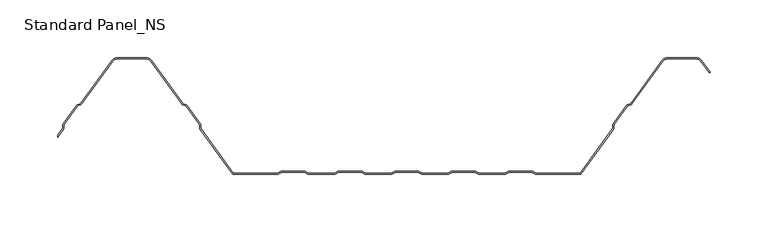
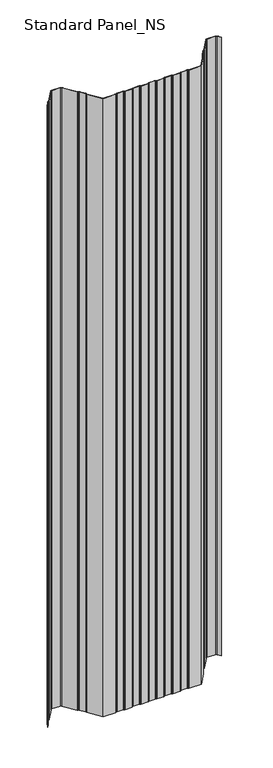
"""IFC4 building model written with IfcOpenShell, lengths in millimetres: proxy geometry, Standard Panel_NS."""

import ifcopenshell
import ifcopenshell.guid

model = None  # the IFC model being written
_history = None  # IfcOwnerHistory: only IFC2X3 demands one
_inside = {}  # id of a spatial element -> (the spatial element, [elements in it])
_under = {}  # id of a project, library or spatial element -> (it, [spatial elements below it])
_declared = {}  # id of a project -> (the project, [libraries it declares])
_typed = {}  # id of a type object -> (the type object, [elements of that type])
_made_of = {}  # id of a material, layer set ... -> (it, [elements and type objects made of it])


def new_model(schema):
    """Start an empty IFC model of exactly this schema.

    Asked for "IFC4X3", IfcOpenShell would pick the latest addendum, in which some entities
    have other attributes; the version numbers below select the first issue.
    IFC2X3 requires an IfcOwnerHistory on every rooted entity: one is made here for all.
    """
    global model, _history
    if schema == "IFC4X3":
        model = ifcopenshell.file(schema_version=(4, 3, 0, 0))
    else:
        model = ifcopenshell.file(schema=schema)
    _inside.clear()
    _under.clear()
    _declared.clear()
    _typed.clear()
    _made_of.clear()
    _history = None
    if model.schema == "IFC2X3":
        org = make("IfcOrganization", Name="unknown")
        user = make(
            "IfcPersonAndOrganization",
            ThePerson=make("IfcPerson", FamilyName="unknown"),
            TheOrganization=org,
        )
        app = make(
            "IfcApplication",
            ApplicationDeveloper=org,
            Version="unknown",
            ApplicationFullName="unknown",
            ApplicationIdentifier="unknown",
        )
        _history = make(
            "IfcOwnerHistory",
            OwningUser=user,
            OwningApplication=app,
            ChangeAction="ADDED",
            CreationDate=0,
        )
    return model


def make(cls, **values):
    """One entity of the class cls with the attributes given. An attribute that is None is left unset."""
    return model.create_entity(
        cls, **{name: value for name, value in values.items() if value is not None}
    )


def rooted(cls, **values):
    """An entity with a GlobalId (a new one), such as an element, a storey or a relation."""
    return make(cls, GlobalId=ifcopenshell.guid.new(), OwnerHistory=_history, **values)


def si_unit(unit_type, name, prefix=None):
    """IfcSIUnit, for example si_unit("LENGTHUNIT", "METRE", prefix="MILLI")."""
    return make("IfcSIUnit", UnitType=unit_type, Prefix=prefix, Name=name)


def assignment(units):
    """IfcUnitAssignment: the units of a project."""
    return None if units is None else make("IfcUnitAssignment", Units=units)


def point(xyz):
    """IfcCartesianPoint."""
    return None if xyz is None else make("IfcCartesianPoint", Coordinates=xyz)


def direction(xyz):
    """IfcDirection."""
    return None if xyz is None else make("IfcDirection", DirectionRatios=xyz)


def frame(location, z_axis=None, x_axis=None):
    """IfcAxis2Placement3D, a coordinate frame: its origin and axes. An axis left out is left unset."""
    return make(
        "IfcAxis2Placement3D",
        Location=point(location),
        Axis=direction(z_axis),
        RefDirection=direction(x_axis),
    )


def frame_2d(location, x_axis=None):
    """IfcAxis2Placement2D, a coordinate frame in the plane: its origin and x axis."""
    return make(
        "IfcAxis2Placement2D", Location=point(location), RefDirection=direction(x_axis)
    )


def origin():
    """The frame at (0, 0, 0) with its axes left unset."""
    return frame((0.0, 0.0, 0.0))


def origin_with_axes():
    """The frame at (0, 0, 0) with the z axis (0, 0, 1) and the x axis (1, 0, 0) written out."""
    return frame((0.0, 0.0, 0.0), z_axis=(0.0, 0.0, 1.0), x_axis=(1.0, 0.0, 0.0))


def place(relative_to, where):
    """IfcLocalPlacement: puts the frame where relative to a parent placement (None: the world)."""
    return make(
        "IfcLocalPlacement", PlacementRelTo=relative_to, RelativePlacement=where
    )


def context(
    kind, dimensions, precision=None, world=None, true_north=None, identifier=None
):
    """IfcGeometricRepresentationContext, for example the 3D "Model" context."""
    return make(
        "IfcGeometricRepresentationContext",
        ContextIdentifier=identifier,
        ContextType=kind,
        CoordinateSpaceDimension=dimensions,
        Precision=precision,
        WorldCoordinateSystem=world,
        TrueNorth=true_north,
    )


def project(units=None, contexts=None):
    """IfcProject with its units and contexts."""
    return rooted(
        "IfcProject",
        Name="project",
        RepresentationContexts=contexts,
        UnitsInContext=assignment(units),
    )


def spatial(cls, under=None, at=None, **own):
    """A site, building, storey or space (cls), placed at a placement, below another one or the project."""
    s = rooted(cls, ObjectPlacement=at, **own)
    if under is not None:
        _under.setdefault(under.id(), (under, []))[1].append(s)
    return s


def polyline(points):
    """IfcPolyline through the points."""
    return make("IfcPolyline", Points=[point(p) for p in points])


def circle_curve(where, radius):
    """IfcCircle in the frame where."""
    return make("IfcCircle", Position=where, Radius=radius)


def trimmed(basis, trim1, trim2, sense, master):
    """IfcTrimmedCurve: the piece of a basis curve between two trims."""
    return make(
        "IfcTrimmedCurve",
        BasisCurve=basis,
        Trim1=trim1,
        Trim2=trim2,
        SenseAgreement=sense,
        MasterRepresentation=master,
    )


def segment(curve, same_sense, transition):
    """IfcCompositeCurveSegment."""
    return make(
        "IfcCompositeCurveSegment",
        Transition=transition,
        SameSense=same_sense,
        ParentCurve=curve,
    )


def composite_curve(segments, self_intersect=None):
    """IfcCompositeCurve: segments joined end to end."""
    return make("IfcCompositeCurve", Segments=segments, SelfIntersect=self_intersect)


def outline(outer, holes=None, kind="AREA"):
    """IfcArbitraryClosedProfileDef: a profile drawn as a closed curve; with holes, ...WithVoids."""
    if holes is None:
        return make("IfcArbitraryClosedProfileDef", ProfileType=kind, OuterCurve=outer)
    return make(
        "IfcArbitraryProfileDefWithVoids",
        ProfileType=kind,
        OuterCurve=outer,
        InnerCurves=holes,
    )


def extrude(swept, where, along, depth):
    """IfcExtrudedAreaSolid: the profile swept, set in the frame where, extruded along a direction by depth."""
    return make(
        "IfcExtrudedAreaSolid",
        SweptArea=swept,
        Position=where,
        ExtrudedDirection=direction(along),
        Depth=depth,
    )


def shape(context_of_items, identifier, shape_type, items):
    """IfcShapeRepresentation: the items that make up one representation, for example the "Body"."""
    return make(
        "IfcShapeRepresentation",
        ContextOfItems=context_of_items,
        RepresentationIdentifier=identifier,
        RepresentationType=shape_type,
        Items=items,
    )


def source(mapping_origin, context_of_items, identifier, shape_type, items):
    """IfcRepresentationMap: a shape defined once, which mapped items show again and again."""
    return make(
        "IfcRepresentationMap",
        MappingOrigin=mapping_origin,
        MappedRepresentation=shape(context_of_items, identifier, shape_type, items),
    )


def transform(
    local_origin,
    x_axis=None,
    y_axis=None,
    z_axis=None,
    scale=None,
    scale2=None,
    scale3=None,
    uniform=True,
):
    """IfcCartesianTransformationOperator3D, or its non-uniform kind. x_axis, y_axis, z_axis: its Axis1, 2, 3."""
    if uniform:
        return make(
            "IfcCartesianTransformationOperator3D",
            Axis1=direction(x_axis),
            Axis2=direction(y_axis),
            LocalOrigin=point(local_origin),
            Scale=scale,
            Axis3=direction(z_axis),
        )
    return make(
        "IfcCartesianTransformationOperator3DnonUniform",
        Axis1=direction(x_axis),
        Axis2=direction(y_axis),
        LocalOrigin=point(local_origin),
        Scale=scale,
        Axis3=direction(z_axis),
        Scale2=scale2,
        Scale3=scale3,
    )


def mapped(mapping_source, mapping_target):
    """IfcMappedItem: shows the shape of a source again, moved by a transform."""
    return make(
        "IfcMappedItem", MappingSource=mapping_source, MappingTarget=mapping_target
    )


def made_of(thing, what):
    """Note that an element or type object is made of a material, layer set ...; save() writes the relation."""
    if what is not None:
        _made_of.setdefault(what.id(), (what, []))[1].append(thing)
    return thing


def element(
    cls,
    number,
    at=None,
    inside=None,
    cuts=None,
    type_object=None,
    material=None,
    context=None,
    identifier="Body",
    shape_type=None,
    held_by="IfcProductDefinitionShape",
    body=None,
    shapes=None,
    **own,
):
    """One element of the class cls, such as IfcWall. Its Tag is "e" and its number.

    at: its placement. inside: the storey or other place that contains it. cuts: it is an
    opening in that element (IfcRelVoidsElement). A single representation is given by context,
    identifier, shape_type and body (its items); several are given by shapes. held_by: the class
    of the entity that holds the representations. save() writes the other relations.
    """
    e = rooted(cls, Tag="e%d" % number, ObjectPlacement=at, **own)
    if body is not None:
        shapes = [shape(context, identifier, shape_type, body)]
    if shapes is not None:
        e.Representation = make(held_by, Representations=shapes)
    if inside is not None:
        _inside.setdefault(inside.id(), (inside, []))[1].append(e)
    if cuts is not None:
        rooted(
            "IfcRelVoidsElement", RelatingBuildingElement=cuts, RelatedOpeningElement=e
        )
    if type_object is not None:
        _typed.setdefault(type_object.id(), (type_object, []))[1].append(e)
    return made_of(e, material)


def aggregate(whole, parts):
    """IfcRelAggregates: a whole, such as a stair, and the parts it consists of."""
    return rooted("IfcRelAggregates", RelatingObject=whole, RelatedObjects=parts)


def save(model, path):
    """Write the relations noted so far, then the file.

    IfcRelAggregates (storeys below a building ...), IfcRelContainedInSpatialStructure (elements
    in a storey), IfcRelDefinesByType, IfcRelAssociatesMaterial and IfcRelDeclares: one each for
    every whole, place, type object, material and project.
    """
    for whole, parts in _under.values():
        aggregate(whole, parts)
    for where, things in _inside.values():
        rooted(
            "IfcRelContainedInSpatialStructure",
            RelatedElements=things,
            RelatingStructure=where,
        )
    for kind, things in _typed.values():
        rooted("IfcRelDefinesByType", RelatedObjects=things, RelatingType=kind)
    for what, things in _made_of.values():
        rooted("IfcRelAssociatesMaterial", RelatedObjects=things, RelatingMaterial=what)
    for by, libraries in _declared.values():
        rooted("IfcRelDeclares", RelatingContext=by, RelatedDefinitions=libraries)
    model.write(path)


def standard_panel_ns_0e72eaee(model_context):
    return source(origin(), model_context, "Body", "SweptSolid", [
        extrude(outline(composite_curve([segment(polyline([(-265.3690592, 38.8012978), (-269.9999998, 32.4137935), (-269.9999998, 34.1174652), (-266.1786697, 39.3882654)]), True, "CONTINUOUS"), segment(trimmed(circle_curve(frame_2d((-267.5943584, 40.4146398)), 1.7486049), [point((-266.1786697, 39.3882654))], [point((-265.8471041, 40.3459275))], True, "CARTESIAN"), True, "CONTINUOUS"), segment(polyline([(-265.8471041, 40.3459275), (-265.7589288, 42.5881001)]), True, "CONTINUOUS"), segment(trimmed(circle_curve(frame_2d((-263.0124468, 42.4800924)), 2.7486049), [point((-265.7589288, 42.5881001))], [point((-265.237746, 44.0934344))], False, "CARTESIAN"), True, "CONTINUOUS"), segment(polyline([(-265.237746, 44.0934344), (-254.1199169, 59.4283711)]), True, "CONTINUOUS"), segment(trimmed(circle_curve(frame_2d((-251.8946177, 57.8150291)), 2.7486049), [point((-254.1199169, 59.4283711))], [point((-252.8512575, 60.3917847))], False, "CARTESIAN"), True, "CONTINUOUS"), segment(polyline([(-252.8512575, 60.3917847), (-250.7476461, 61.1727662)]), True, "CONTINUOUS"), segment(trimmed(circle_curve(frame_2d((-251.3562403, 62.8120441)), 1.7486049), [point((-250.7476461, 61.1727662))], [point((-249.9405515, 61.7856697))], True, "CARTESIAN"), True, "CONTINUOUS"), segment(polyline([(-249.9405515, 61.7856697), (-223.3068531, 98.5218054)]), True, "CONTINUOUS"), segment(trimmed(circle_curve(frame_2d((-218.4491905, 95.0)), 6.0), [point((-223.3068531, 98.5218054))], [point((-218.4491905, 101.0))], False, "CARTESIAN"), True, "CONTINUOUS"), segment(polyline([(-218.4491905, 101.0), (-193.5508098, 101.0)]), True, "CONTINUOUS"), segment(trimmed(circle_curve(frame_2d((-193.5508098, 95.0)), 6.0), [point((-193.5508098, 101.0))], [point((-188.6931472, 98.5218054))], False, "CARTESIAN"), True, "CONTINUOUS"), segment(polyline([(-188.6931472, 98.5218054), (-162.0594488, 61.7856697)]), True, "CONTINUOUS"), segment(trimmed(circle_curve(frame_2d((-160.64376, 62.8120441)), 1.7486049), [point((-162.0594488, 61.7856697))], [point((-161.2523542, 61.1727662))], True, "CARTESIAN"), True, "CONTINUOUS"), segment(polyline([(-161.2523542, 61.1727662), (-159.1487428, 60.3917847)]), True, "CONTINUOUS"), segment(trimmed(circle_curve(frame_2d((-160.1053826, 57.8150291)), 2.7486049), [point((-159.1487428, 60.3917847))], [point((-157.8800834, 59.4283711))], False, "CARTESIAN"), True, "CONTINUOUS"), segment(polyline([(-157.8800834, 59.4283711), (-146.7622543, 44.0934344)]), True, "CONTINUOUS"), segment(trimmed(circle_curve(frame_2d((-148.9875535, 42.4800924)), 2.7486049), [point((-146.7622543, 44.0934344))], [point((-146.2410715, 42.5881001))], False, "CARTESIAN"), True, "CONTINUOUS"), segment(polyline([(-146.2410715, 42.5881001), (-146.1528962, 40.3459275)]), True, "CONTINUOUS"), segment(trimmed(circle_curve(frame_2d((-144.4056419, 40.4146398)), 1.7486049), [point((-146.1528962, 40.3459275))], [point((-145.8213306, 39.3882654))], True, "CARTESIAN"), True, "CONTINUOUS"), segment(polyline([(-145.8213306, 39.3882654), (-117.9898382, 1.0), (-80.1655441, 1.0)]), True, "CONTINUOUS"), segment(trimmed(circle_curve(frame_2d((-80.1655441, 2.7486049)), 1.7486049), [point((-80.1655441, 1.0))], [point((-79.1955926, 1.2936777))], True, "CARTESIAN"), True, "CONTINUOUS"), segment(polyline([(-79.1955926, 1.2936777), (-77.3285502, 2.5383726)]), True, "CONTINUOUS"), segment(trimmed(circle_curve(frame_2d((-75.8038985, 0.2513951)), 2.7486049), [point((-77.3285502, 2.5383726))], [point((-75.8038985, 3.0))], False, "CARTESIAN"), True, "CONTINUOUS"), segment(polyline([(-75.8038985, 3.0), (-56.8627684, 3.0)]), True, "CONTINUOUS"), segment(trimmed(circle_curve(frame_2d((-56.8627684, 0.2513951)), 2.7486049), [point((-56.8627684, 3.0))], [point((-55.3381168, 2.5383726))], False, "CARTESIAN"), True, "CONTINUOUS"), segment(polyline([(-55.3381168, 2.5383726), (-53.4710744, 1.2936777)]), True, "CONTINUOUS"), segment(trimmed(circle_curve(frame_2d((-52.5011229, 2.7486049)), 1.7486049), [point((-53.4710744, 1.2936777))], [point((-52.5011229, 1.0))], True, "CARTESIAN"), True, "CONTINUOUS"), segment(polyline([(-52.5011229, 1.0), (-30.9988774, 1.0)]), True, "CONTINUOUS"), segment(trimmed(circle_curve(frame_2d((-30.9988774, 2.7486049)), 1.7486049), [point((-30.9988774, 1.0))], [point((-30.0289259, 1.2936777))], True, "CARTESIAN"), True, "CONTINUOUS"), segment(polyline([(-30.0289259, 1.2936777), (-28.1618835, 2.5383726)]), True, "CONTINUOUS"), segment(trimmed(circle_curve(frame_2d((-26.6372319, 0.2513951)), 2.7486049), [point((-28.1618835, 2.5383726))], [point((-26.6372319, 3.0))], False, "CARTESIAN"), True, "CONTINUOUS"), segment(polyline([(-26.6372319, 3.0), (-7.6961018, 3.0)]), True, "CONTINUOUS"), segment(trimmed(circle_curve(frame_2d((-7.6961018, 0.2513951)), 2.7486049), [point((-7.6961018, 3.0))], [point((-6.1714501, 2.5383726))], False, "CARTESIAN"), True, "CONTINUOUS"), segment(polyline([(-6.1714501, 2.5383726), (-4.3044077, 1.2936777)]), True, "CONTINUOUS"), segment(trimmed(circle_curve(frame_2d((-3.3344562, 2.7486049)), 1.7486049), [point((-4.3044077, 1.2936777))], [point((-3.3344562, 1.0))], True, "CARTESIAN"), True, "CONTINUOUS"), segment(polyline([(-3.3344562, 1.0), (18.1677892, 1.0)]), True, "CONTINUOUS"), segment(trimmed(circle_curve(frame_2d((18.1677892, 2.7486049)), 1.7486049), [point((18.1677892, 1.0))], [point((19.1377407, 1.2936777))], True, "CARTESIAN"), True, "CONTINUOUS"), segment(polyline([(19.1377407, 1.2936777), (21.0047831, 2.5383726)]), True, "CONTINUOUS"), segment(trimmed(circle_curve(frame_2d((22.5294348, 0.2513951)), 2.7486049), [point((21.0047831, 2.5383726))], [point((22.5294348, 3.0))], False, "CARTESIAN"), True, "CONTINUOUS"), segment(polyline([(22.5294348, 3.0), (41.4705649, 3.0)]), True, "CONTINUOUS"), segment(trimmed(circle_curve(frame_2d((41.4705649, 0.2513951)), 2.7486049), [point((41.4705649, 3.0))], [point((42.9952166, 2.5383726))], False, "CARTESIAN"), True, "CONTINUOUS"), segment(polyline([(42.9952166, 2.5383726), (44.862259, 1.2936777)]), True, "CONTINUOUS"), segment(trimmed(circle_curve(frame_2d((45.8322104, 2.7486049)), 1.7486049), [point((44.862259, 1.2936777))], [point((45.8322104, 1.0))], True, "CARTESIAN"), True, "CONTINUOUS"), segment(polyline([(45.8322104, 1.0), (67.3344559, 1.0)]), True, "CONTINUOUS"), segment(trimmed(circle_curve(frame_2d((67.3344559, 2.7486049)), 1.7486049), [point((67.3344559, 1.0))], [point((68.3044074, 1.2936777))], True, "CARTESIAN"), True, "CONTINUOUS"), segment(polyline([(68.3044074, 1.2936777), (70.1714498, 2.5383726)]), True, "CONTINUOUS"), segment(trimmed(circle_curve(frame_2d((71.6961015, 0.2513951)), 2.7486049), [point((70.1714498, 2.5383726))], [point((71.6961015, 3.0))], False, "CARTESIAN"), True, "CONTINUOUS"), segment(polyline([(71.6961015, 3.0), (90.6372316, 3.0)]), True, "CONTINUOUS"), segment(trimmed(circle_curve(frame_2d((90.6372316, 0.2513951)), 2.7486049), [point((90.6372316, 3.0))], [point((92.1618832, 2.5383726))], False, "CARTESIAN"), True, "CONTINUOUS"), segment(polyline([(92.1618832, 2.5383726), (94.0289256, 1.2936777)]), True, "CONTINUOUS"), segment(trimmed(circle_curve(frame_2d((94.9988771, 2.7486049)), 1.7486049), [point((94.0289256, 1.2936777))], [point((94.9988771, 1.0))], True, "CARTESIAN"), True, "CONTINUOUS"), segment(polyline([(94.9988771, 1.0), (116.5011226, 1.0)]), True, "CONTINUOUS"), segment(trimmed(circle_curve(frame_2d((116.5011226, 2.7486049)), 1.7486049), [point((116.5011226, 1.0))], [point((117.4710741, 1.2936777))], True, "CARTESIAN"), True, "CONTINUOUS"), segment(polyline([(117.4710741, 1.2936777), (119.3381165, 2.5383726)]), True, "CONTINUOUS"), segment(trimmed(circle_curve(frame_2d((120.8627681, 0.2513951)), 2.7486049), [point((119.3381165, 2.5383726))], [point((120.8627681, 3.0))], False, "CARTESIAN"), True, "CONTINUOUS"), segment(polyline([(120.8627681, 3.0), (139.8038982, 3.0)]), True, "CONTINUOUS"), segment(trimmed(circle_curve(frame_2d((139.8038982, 0.2513951)), 2.7486049), [point((139.8038982, 3.0))], [point((141.3285499, 2.5383726))], False, "CARTESIAN"), True, "CONTINUOUS"), segment(polyline([(141.3285499, 2.5383726), (143.1955923, 1.2936777)]), True, "CONTINUOUS"), segment(trimmed(circle_curve(frame_2d((144.1655438, 2.7486049)), 1.7486049), [point((143.1955923, 1.2936777))], [point((144.1655438, 1.0))], True, "CARTESIAN"), True, "CONTINUOUS"), segment(polyline([(144.1655438, 1.0), (181.9898379, 1.0), (209.8213303, 39.3882654)]), True, "CONTINUOUS"), segment(trimmed(circle_curve(frame_2d((208.4056416, 40.4146398)), 1.7486049), [point((209.8213303, 39.3882654))], [point((210.1528959, 40.3459275))], True, "CARTESIAN"), True, "CONTINUOUS"), segment(polyline([(210.1528959, 40.3459275), (210.2410712, 42.5881001)]), True, "CONTINUOUS"), segment(trimmed(circle_curve(frame_2d((212.9875532, 42.4800924)), 2.7486049), [point((210.2410712, 42.5881001))], [point((210.762254, 44.0934344))], False, "CARTESIAN"), True, "CONTINUOUS"), segment(polyline([(210.762254, 44.0934344), (221.8800831, 59.4283711)]), True, "CONTINUOUS"), segment(trimmed(circle_curve(frame_2d((224.1053823, 57.8150291)), 2.7486049), [point((221.8800831, 59.4283711))], [point((223.1487425, 60.3917847))], False, "CARTESIAN"), True, "CONTINUOUS"), segment(polyline([(223.1487425, 60.3917847), (225.2523539, 61.1727662)]), True, "CONTINUOUS"), segment(trimmed(circle_curve(frame_2d((224.6437597, 62.8120441)), 1.7486049), [point((225.2523539, 61.1727662))], [point((226.0594485, 61.7856697))], True, "CARTESIAN"), True, "CONTINUOUS"), segment(polyline([(226.0594485, 61.7856697), (252.6931469, 98.5218054)]), True, "CONTINUOUS"), segment(trimmed(circle_curve(frame_2d((257.5508095, 95.0)), 6.0), [point((252.6931469, 98.5218054))], [point((257.5508095, 101.0))], False, "CARTESIAN"), True, "CONTINUOUS"), segment(polyline([(257.5508095, 101.0), (282.4491902, 101.0)]), True, "CONTINUOUS"), segment(trimmed(circle_curve(frame_2d((282.4491902, 95.0)), 6.0), [point((282.4491902, 101.0))], [point((287.3068528, 98.5218054))], False, "CARTESIAN"), True, "CONTINUOUS"), segment(polyline([(287.3068528, 98.5218054), (294.6141239, 88.4428109), (293.8045134, 87.8558433), (286.4972424, 97.9348379)]), True, "CONTINUOUS"), segment(trimmed(circle_curve(frame_2d((282.4491902, 95.0)), 5.0), [point((286.4972424, 97.9348379))], [point((282.4491902, 100.0))], True, "CARTESIAN"), True, "CONTINUOUS"), segment(polyline([(282.4491902, 100.0), (257.5508095, 100.0)]), True, "CONTINUOUS"), segment(trimmed(circle_curve(frame_2d((257.5508095, 95.0)), 5.0), [point((257.5508095, 100.0))], [point((253.5027573, 97.9348379))], True, "CARTESIAN"), True, "CONTINUOUS"), segment(polyline([(253.5027573, 97.9348379), (226.8690589, 61.1987022)]), True, "CONTINUOUS"), segment(trimmed(circle_curve(frame_2d((224.6437597, 62.8120441)), 2.7486049), [point((226.8690589, 61.1987022))], [point((225.6003995, 60.2352885))], False, "CARTESIAN"), True, "CONTINUOUS"), segment(polyline([(225.6003995, 60.2352885), (223.4967881, 59.4543071)]), True, "CONTINUOUS"), segment(trimmed(circle_curve(frame_2d((224.1053823, 57.8150291)), 1.7486049), [point((223.4967881, 59.4543071))], [point((222.6896935, 58.8414035))], True, "CARTESIAN"), True, "CONTINUOUS"), segment(polyline([(222.6896935, 58.8414035), (211.5718644, 43.5064668)]), True, "CONTINUOUS"), segment(trimmed(circle_curve(frame_2d((212.9875532, 42.4800924)), 1.7486049), [point((211.5718644, 43.5064668))], [point((211.2402989, 42.5488047))], True, "CARTESIAN"), True, "CONTINUOUS"), segment(polyline([(211.2402989, 42.5488047), (211.1521235, 40.3066321)]), True, "CONTINUOUS"), segment(trimmed(circle_curve(frame_2d((208.4056416, 40.4146398)), 2.7486049), [point((211.1521235, 40.3066321))], [point((210.6309408, 38.8012978))], False, "CARTESIAN"), True, "CONTINUOUS"), segment(polyline([(210.6309408, 38.8012978), (182.4999998, 0.0), (144.1655438, 0.0)]), True, "CONTINUOUS"), segment(trimmed(circle_curve(frame_2d((144.1655438, 2.7486049)), 2.7486049), [point((144.1655438, 0.0))], [point((142.6408921, 0.4616274))], False, "CARTESIAN"), True, "CONTINUOUS"), segment(polyline([(142.6408921, 0.4616274), (140.7738497, 1.7063223)]), True, "CONTINUOUS"), segment(trimmed(circle_curve(frame_2d((139.8038982, 0.2513951)), 1.7486049), [point((140.7738497, 1.7063223))], [point((139.8038982, 2.0))], True, "CARTESIAN"), True, "CONTINUOUS"), segment(polyline([(139.8038982, 2.0), (120.8627681, 2.0)]), True, "CONTINUOUS"), segment(trimmed(circle_curve(frame_2d((120.8627681, 0.2513951)), 1.7486049), [point((120.8627681, 2.0))], [point((119.8928167, 1.7063223))], True, "CARTESIAN"), True, "CONTINUOUS"), segment(polyline([(119.8928167, 1.7063223), (118.0257743, 0.4616274)]), True, "CONTINUOUS"), segment(trimmed(circle_curve(frame_2d((116.5011226, 2.7486049)), 2.7486049), [point((118.0257743, 0.4616274))], [point((116.5011226, 0.0))], False, "CARTESIAN"), True, "CONTINUOUS"), segment(polyline([(116.5011226, 0.0), (94.9988771, 0.0)]), True, "CONTINUOUS"), segment(trimmed(circle_curve(frame_2d((94.9988771, 2.7486049)), 2.7486049), [point((94.9988771, 0.0))], [point((93.4742254, 0.4616274))], False, "CARTESIAN"), True, "CONTINUOUS"), segment(polyline([(93.4742254, 0.4616274), (91.607183, 1.7063223)]), True, "CONTINUOUS"), segment(trimmed(circle_curve(frame_2d((90.6372316, 0.2513951)), 1.7486049), [point((91.607183, 1.7063223))], [point((90.6372316, 2.0))], True, "CARTESIAN"), True, "CONTINUOUS"), segment(polyline([(90.6372316, 2.0), (71.6961015, 2.0)]), True, "CONTINUOUS"), segment(trimmed(circle_curve(frame_2d((71.6961015, 0.2513951)), 1.7486049), [point((71.6961015, 2.0))], [point((70.72615, 1.7063223))], True, "CARTESIAN"), True, "CONTINUOUS"), segment(polyline([(70.72615, 1.7063223), (68.8591076, 0.4616274)]), True, "CONTINUOUS"), segment(trimmed(circle_curve(frame_2d((67.3344559, 2.7486049)), 2.7486049), [point((68.8591076, 0.4616274))], [point((67.3344559, 0.0))], False, "CARTESIAN"), True, "CONTINUOUS"), segment(polyline([(67.3344559, 0.0), (45.8322104, 0.0)]), True, "CONTINUOUS"), segment(trimmed(circle_curve(frame_2d((45.8322104, 2.7486049)), 2.7486049), [point((45.8322104, 0.0))], [point((44.3075588, 0.4616274))], False, "CARTESIAN"), True, "CONTINUOUS"), segment(polyline([(44.3075588, 0.4616274), (42.4405164, 1.7063223)]), True, "CONTINUOUS"), segment(trimmed(circle_curve(frame_2d((41.4705649, 0.2513951)), 1.7486049), [point((42.4405164, 1.7063223))], [point((41.4705649, 2.0))], True, "CARTESIAN"), True, "CONTINUOUS"), segment(polyline([(41.4705649, 2.0), (22.5294348, 2.0)]), True, "CONTINUOUS"), segment(trimmed(circle_curve(frame_2d((22.5294348, 0.2513951)), 1.7486049), [point((22.5294348, 2.0))], [point((21.5594833, 1.7063223))], True, "CARTESIAN"), True, "CONTINUOUS"), segment(polyline([(21.5594833, 1.7063223), (19.6924409, 0.4616274)]), True, "CONTINUOUS"), segment(trimmed(circle_curve(frame_2d((18.1677892, 2.7486049)), 2.7486049), [point((19.6924409, 0.4616274))], [point((18.1677892, 0.0))], False, "CARTESIAN"), True, "CONTINUOUS"), segment(polyline([(18.1677892, 0.0), (-3.3344562, 0.0)]), True, "CONTINUOUS"), segment(trimmed(circle_curve(frame_2d((-3.3344562, 2.7486049)), 2.7486049), [point((-3.3344562, 0.0))], [point((-4.8591079, 0.4616274))], False, "CARTESIAN"), True, "CONTINUOUS"), segment(polyline([(-4.8591079, 0.4616274), (-6.7261503, 1.7063223)]), True, "CONTINUOUS"), segment(trimmed(circle_curve(frame_2d((-7.6961018, 0.2513951)), 1.7486049), [point((-6.7261503, 1.7063223))], [point((-7.6961018, 2.0))], True, "CARTESIAN"), True, "CONTINUOUS"), segment(polyline([(-7.6961018, 2.0), (-26.6372319, 2.0)]), True, "CONTINUOUS"), segment(trimmed(circle_curve(frame_2d((-26.6372319, 0.2513951)), 1.7486049), [point((-26.6372319, 2.0))], [point((-27.6071833, 1.7063223))], True, "CARTESIAN"), True, "CONTINUOUS"), segment(polyline([(-27.6071833, 1.7063223), (-29.4742257, 0.4616274)]), True, "CONTINUOUS"), segment(trimmed(circle_curve(frame_2d((-30.9988774, 2.7486049)), 2.7486049), [point((-29.4742257, 0.4616274))], [point((-30.9988774, 0.0))], False, "CARTESIAN"), True, "CONTINUOUS"), segment(polyline([(-30.9988774, 0.0), (-52.5011229, 0.0)]), True, "CONTINUOUS"), segment(trimmed(circle_curve(frame_2d((-52.5011229, 2.7486049)), 2.7486049), [point((-52.5011229, 0.0))], [point((-54.0257746, 0.4616274))], False, "CARTESIAN"), True, "CONTINUOUS"), segment(polyline([(-54.0257746, 0.4616274), (-55.892817, 1.7063223)]), True, "CONTINUOUS"), segment(trimmed(circle_curve(frame_2d((-56.8627684, 0.2513951)), 1.7486049), [point((-55.892817, 1.7063223))], [point((-56.8627684, 2.0))], True, "CARTESIAN"), True, "CONTINUOUS"), segment(polyline([(-56.8627684, 2.0), (-75.8038985, 2.0)]), True, "CONTINUOUS"), segment(trimmed(circle_curve(frame_2d((-75.8038985, 0.2513951)), 1.7486049), [point((-75.8038985, 2.0))], [point((-76.77385, 1.7063223))], True, "CARTESIAN"), True, "CONTINUOUS"), segment(polyline([(-76.77385, 1.7063223), (-78.6408924, 0.4616274)]), True, "CONTINUOUS"), segment(trimmed(circle_curve(frame_2d((-80.1655441, 2.7486049)), 2.7486049), [point((-78.6408924, 0.4616274))], [point((-80.1655441, 0.0))], False, "CARTESIAN"), True, "CONTINUOUS"), segment(polyline([(-80.1655441, 0.0), (-118.5000002, 0.0), (-146.6309411, 38.8012978)]), True, "CONTINUOUS"), segment(trimmed(circle_curve(frame_2d((-144.4056419, 40.4146398)), 2.7486049), [point((-146.6309411, 38.8012978))], [point((-147.1521238, 40.3066321))], False, "CARTESIAN"), True, "CONTINUOUS"), segment(polyline([(-147.1521238, 40.3066321), (-147.2402992, 42.5488047)]), True, "CONTINUOUS"), segment(trimmed(circle_curve(frame_2d((-148.9875535, 42.4800924)), 1.7486049), [point((-147.2402992, 42.5488047))], [point((-147.5718647, 43.5064668))], True, "CARTESIAN"), True, "CONTINUOUS"), segment(polyline([(-147.5718647, 43.5064668), (-158.6896938, 58.8414035)]), True, "CONTINUOUS"), segment(trimmed(circle_curve(frame_2d((-160.1053826, 57.8150291)), 1.7486049), [point((-158.6896938, 58.8414035))], [point((-159.4967884, 59.4543071))], True, "CARTESIAN"), True, "CONTINUOUS"), segment(polyline([(-159.4967884, 59.4543071), (-161.6003998, 60.2352885)]), True, "CONTINUOUS"), segment(trimmed(circle_curve(frame_2d((-160.64376, 62.8120441)), 2.7486049), [point((-161.6003998, 60.2352885))], [point((-162.8690592, 61.1987022))], False, "CARTESIAN"), True, "CONTINUOUS"), segment(polyline([(-162.8690592, 61.1987022), (-189.5027576, 97.9348379)]), True, "CONTINUOUS"), segment(trimmed(circle_curve(frame_2d((-193.5508098, 95.0)), 5.0), [point((-189.5027576, 97.9348379))], [point((-193.5508098, 100.0))], True, "CARTESIAN"), True, "CONTINUOUS"), segment(polyline([(-193.5508098, 100.0), (-218.4491905, 100.0)]), True, "CONTINUOUS"), segment(trimmed(circle_curve(frame_2d((-218.4491905, 95.0)), 5.0), [point((-218.4491905, 100.0))], [point((-222.4972427, 97.9348379))], True, "CARTESIAN"), True, "CONTINUOUS"), segment(polyline([(-222.4972427, 97.9348379), (-249.1309411, 61.1987022)]), True, "CONTINUOUS"), segment(trimmed(circle_curve(frame_2d((-251.3562403, 62.8120441)), 2.7486049), [point((-249.1309411, 61.1987022))], [point((-250.3996005, 60.2352885))], False, "CARTESIAN"), True, "CONTINUOUS"), segment(polyline([(-250.3996005, 60.2352885), (-252.5032119, 59.4543071)]), True, "CONTINUOUS"), segment(trimmed(circle_curve(frame_2d((-251.8946177, 57.8150291)), 1.7486049), [point((-252.5032119, 59.4543071))], [point((-253.3103065, 58.8414035))], True, "CARTESIAN"), True, "CONTINUOUS"), segment(polyline([(-253.3103065, 58.8414035), (-264.4281356, 43.5064668)]), True, "CONTINUOUS"), segment(trimmed(circle_curve(frame_2d((-263.0124468, 42.4800924)), 1.7486049), [point((-264.4281356, 43.5064668))], [point((-264.7597011, 42.5488047))], True, "CARTESIAN"), True, "CONTINUOUS"), segment(polyline([(-264.7597011, 42.5488047), (-264.8478765, 40.3066321)]), True, "CONTINUOUS"), segment(trimmed(circle_curve(frame_2d((-267.5943584, 40.4146398)), 2.7486049), [point((-264.8478765, 40.3066321))], [point((-265.3690592, 38.8012978))], False, "CARTESIAN"), True, "CONTINUOUS")], self_intersect=False)), origin_with_axes(), (0.0, 0.0, 1.0), 2000.0),
    ])


if __name__ == "__main__":
    model = new_model("IFC4")
    model_context = context("Model", 3, world=origin())
    ifc_project = project(units=[si_unit("LENGTHUNIT", "METRE", prefix="MILLI")], contexts=[model_context])
    site = spatial("IfcSite", under=ifc_project)
    building = spatial("IfcBuilding", under=site)
    placement = place(None, origin())
    standard_panel_ns_shape = standard_panel_ns_0e72eaee(model_context)
    element("IfcBuildingElementProxy", 1, Name="Standard Panel_NS", ObjectType="Standard Panel_NS", at=placement, inside=building, context=model_context, shape_type="MappedRepresentation", body=[
        mapped(standard_panel_ns_shape, transform((0.0, 0.0, 0.0), x_axis=(1.0, 0.0, 0.0), y_axis=(0.0, 1.0, 0.0), z_axis=(0.0, 0.0, 1.0))),
    ])
    save(model, "model.ifc")
